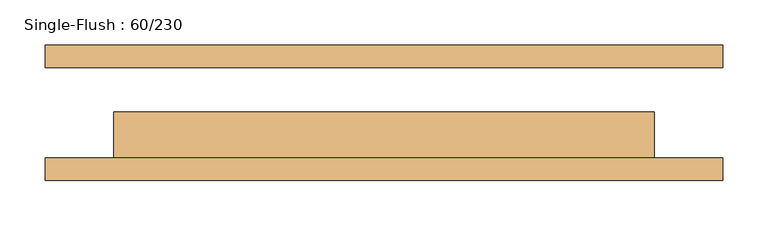
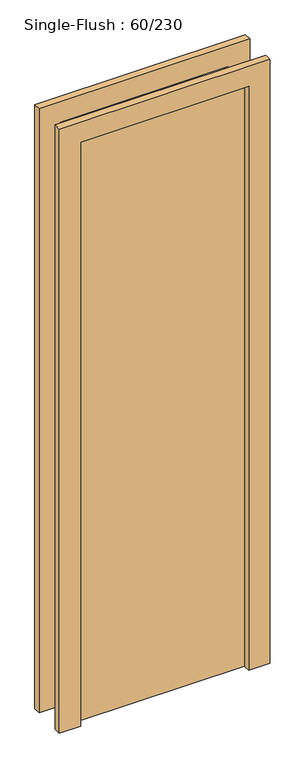
"""IFC4 building model written with IfcOpenShell, lengths in millimetres: door geometry, Single-Flush : 60/230."""

from ifc_helpers import new_model, si_unit, frame, origin, origin_with_axes, place, context, project, spatial, polyline, outline, extrude, source, transform, mapped, element, save


def single_flush_60_230_cbb6b41c(model_context):
    return source(origin(), model_context, "Body", "SweptSolid", [
        extrude(outline(polyline([(2276.2, -376.2), (0.0, -376.2), (0.0, -300.0), (2200.0, -300.0), (2200.0, 300.0), (0.0, 300.0), (0.0, 376.2), (2276.2, 376.2), (2276.2, -376.2)])), frame((0.0, -75.4, 0.0), z_axis=(0.0, 1.0, 0.0), x_axis=(0.0, 0.0, 1.0)), (0.0, 0.0, 1.0), 25.4),
        extrude(outline(polyline([(2276.2, 376.2), (2276.2, -376.2), (0.0, -376.2), (0.0, -300.0), (2200.0, -300.0), (2200.0, 300.0), (0.0, 300.0), (0.0, 376.2), (2276.2, 376.2)])), frame((0.0, 50.0, 0.0), z_axis=(0.0, 1.0, 0.0), x_axis=(0.0, 0.0, 1.0)), (0.0, 0.0, 1.0), 25.4),
        extrude(outline(polyline([(300.0, 0.8), (300.0, -50.0), (-300.0, -50.0), (-300.0, 0.8), (300.0, 0.8)])), origin_with_axes(), (0.0, 0.0, 1.0), 2200.0),
    ])


if __name__ == "__main__":
    model = new_model("IFC4")
    model_context = context("Model", 3, world=origin())
    ifc_project = project(units=[si_unit("LENGTHUNIT", "METRE", prefix="MILLI")], contexts=[model_context])
    site = spatial("IfcSite", under=ifc_project)
    building = spatial("IfcBuilding", under=site)
    placement = place(None, origin())
    single_flush_60_230_shape = single_flush_60_230_cbb6b41c(model_context)
    element("IfcDoor", 1, ObjectType="Single-Flush : 60/230", at=placement, inside=building, context=model_context, shape_type="MappedRepresentation", body=[
        mapped(single_flush_60_230_shape, transform((0.0, 0.0, 0.0), x_axis=(1.0, 0.0, 0.0), y_axis=(0.0, 1.0, 0.0), z_axis=(0.0, 0.0, 1.0))),
    ])
    save(model, "model.ifc")
